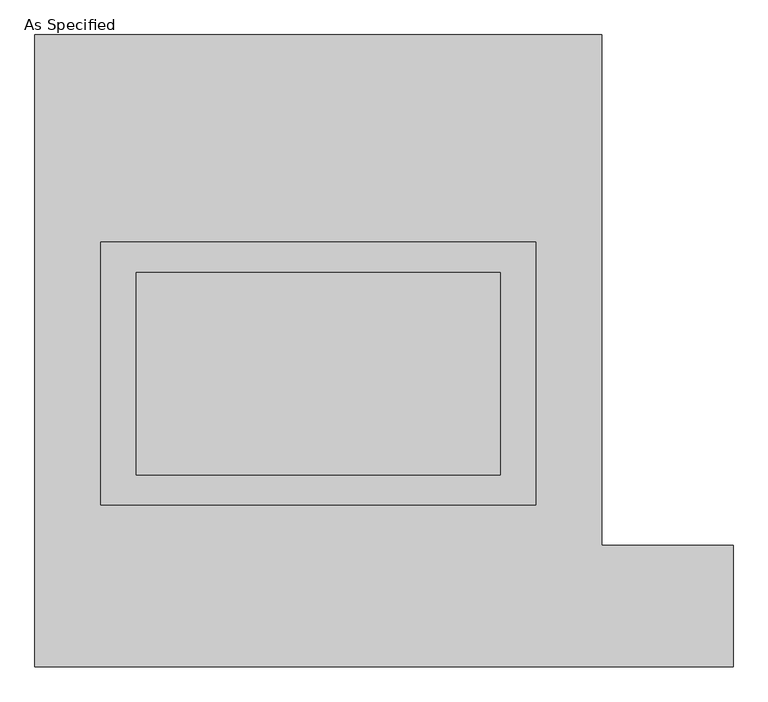
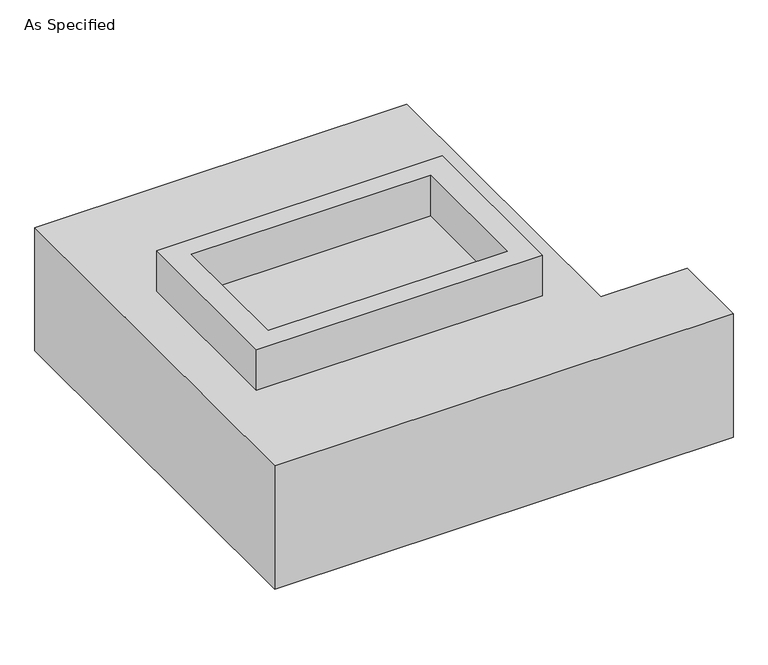
"""IFC4 building model written with IfcOpenShell, lengths in millimetres: proxy geometry, As Specified."""

from ifc_helpers import new_model, si_unit, frame, origin, place, context, project, spatial, polyline, outline, extrude, source, transform, mapped, element, save


def as_specified_ff00ab57(model_context):
    return source(origin(), model_context, "Body", "SweptSolid", [
        extrude(outline(polyline([(546.1, 273.05), (546.1, -387.35), (-546.1, -387.35), (-546.1, 273.05), (546.1, 273.05)]), holes=[polyline([(457.2, 196.85), (-457.2, 196.85), (-457.2, -311.15), (457.2, -311.15), (457.2, 196.85)])]), frame((0.0, 0.0, -688.975), z_axis=(0.0, 0.0, 1.0), x_axis=(1.0, 0.0, 0.0)), (0.0, 0.0, 1.0), 165.1),
        extrude(outline(polyline([(546.1, 273.05), (546.1, -387.35), (-546.1, -387.35), (-546.1, 273.05), (546.1, 273.05)]), holes=[polyline([(457.2, 196.85), (-457.2, 196.85), (-457.2, -311.15), (457.2, -311.15), (457.2, 196.85)])]), frame((0.0, 0.0, -25.4), z_axis=(0.0, 0.0, 1.0), x_axis=(1.0, 0.0, 0.0)), (0.0, 0.0, 1.0), 165.1),
        extrude(outline(polyline([(457.2, 196.85), (457.2, -311.15), (-457.2, -311.15), (-457.2, 196.85), (457.2, 196.85)])), frame((0.0, 0.0, -523.875), z_axis=(0.0, 0.0, 1.0), x_axis=(1.0, 0.0, 0.0)), (0.0, 0.0, 1.0), 4.9609375),
        extrude(outline(polyline([(457.2, 196.85), (457.2, -311.15), (-457.2, -311.15), (-457.2, 196.85), (457.2, 196.85)])), frame((0.0, 0.0, -30.3609375), z_axis=(0.0, 0.0, 1.0), x_axis=(1.0, 0.0, 0.0)), (0.0, 0.0, 1.0), 4.9609375),
        extrude(outline(polyline([(-711.2, 793.75), (711.2, 793.75), (711.2, -488.95), (1041.4, -488.95), (1041.4, -793.75), (-711.2, -793.75), (-711.2, 793.75)]), holes=[polyline([(-546.1, 273.05), (-546.1, -387.35), (546.1, -387.35), (546.1, 273.05), (-546.1, 273.05)])]), frame((0.0, 0.0, -523.875), z_axis=(0.0, 0.0, 1.0), x_axis=(1.0, 0.0, 0.0)), (0.0, 0.0, 1.0), 498.475),
    ])


if __name__ == "__main__":
    model = new_model("IFC4")
    model_context = context("Model", 3, world=origin())
    ifc_project = project(units=[si_unit("LENGTHUNIT", "METRE", prefix="MILLI")], contexts=[model_context])
    site = spatial("IfcSite", under=ifc_project)
    building = spatial("IfcBuilding", under=site)
    placement = place(None, origin())
    as_specified_shape = as_specified_ff00ab57(model_context)
    element("IfcBuildingElementProxy", 1, Name="As Specified", ObjectType="As Specified", at=placement, inside=building, context=model_context, shape_type="MappedRepresentation", body=[
        mapped(as_specified_shape, transform((0.0, 0.0, 0.0), x_axis=(1.0, 0.0, 0.0), y_axis=(0.0, 1.0, 0.0), z_axis=(0.0, 0.0, 1.0))),
    ])
    save(model, "model.ifc")
